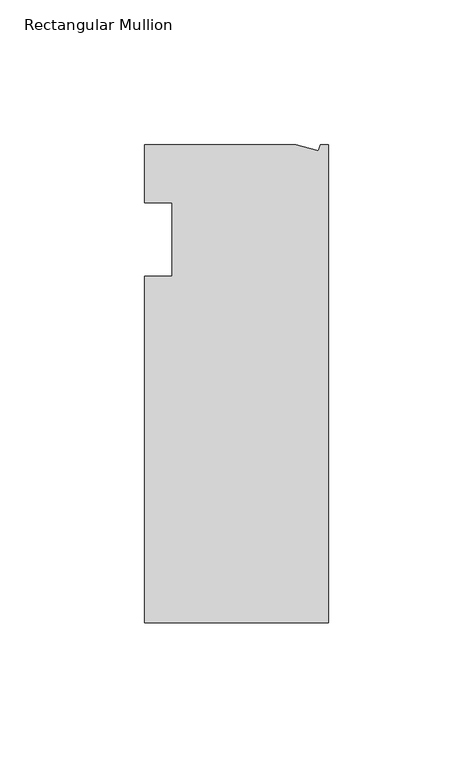
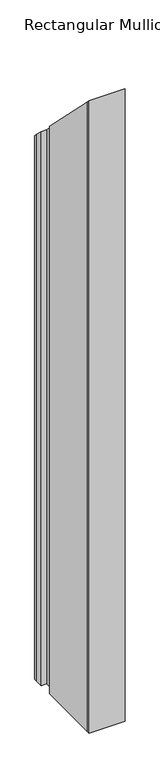
"""IFC4 building model written with IfcOpenShell, lengths in millimetres: member geometry, Rectangular Mullion."""

import ifcopenshell
import ifcopenshell.guid

model = None  # the IFC model being written
_history = None  # IfcOwnerHistory: only IFC2X3 demands one
_inside = {}  # id of a spatial element -> (the spatial element, [elements in it])
_under = {}  # id of a project, library or spatial element -> (it, [spatial elements below it])
_declared = {}  # id of a project -> (the project, [libraries it declares])
_typed = {}  # id of a type object -> (the type object, [elements of that type])
_made_of = {}  # id of a material, layer set ... -> (it, [elements and type objects made of it])


def new_model(schema):
    """Start an empty IFC model of exactly this schema.

    Asked for "IFC4X3", IfcOpenShell would pick the latest addendum, in which some entities
    have other attributes; the version numbers below select the first issue.
    IFC2X3 requires an IfcOwnerHistory on every rooted entity: one is made here for all.
    """
    global model, _history
    if schema == "IFC4X3":
        model = ifcopenshell.file(schema_version=(4, 3, 0, 0))
    else:
        model = ifcopenshell.file(schema=schema)
    _inside.clear()
    _under.clear()
    _declared.clear()
    _typed.clear()
    _made_of.clear()
    _history = None
    if model.schema == "IFC2X3":
        org = make("IfcOrganization", Name="unknown")
        user = make(
            "IfcPersonAndOrganization",
            ThePerson=make("IfcPerson", FamilyName="unknown"),
            TheOrganization=org,
        )
        app = make(
            "IfcApplication",
            ApplicationDeveloper=org,
            Version="unknown",
            ApplicationFullName="unknown",
            ApplicationIdentifier="unknown",
        )
        _history = make(
            "IfcOwnerHistory",
            OwningUser=user,
            OwningApplication=app,
            ChangeAction="ADDED",
            CreationDate=0,
        )
    return model


def make(cls, **values):
    """One entity of the class cls with the attributes given. An attribute that is None is left unset."""
    return model.create_entity(
        cls, **{name: value for name, value in values.items() if value is not None}
    )


def rooted(cls, **values):
    """An entity with a GlobalId (a new one), such as an element, a storey or a relation."""
    return make(cls, GlobalId=ifcopenshell.guid.new(), OwnerHistory=_history, **values)


def si_unit(unit_type, name, prefix=None):
    """IfcSIUnit, for example si_unit("LENGTHUNIT", "METRE", prefix="MILLI")."""
    return make("IfcSIUnit", UnitType=unit_type, Prefix=prefix, Name=name)


def assignment(units):
    """IfcUnitAssignment: the units of a project."""
    return None if units is None else make("IfcUnitAssignment", Units=units)


def point(xyz):
    """IfcCartesianPoint."""
    return None if xyz is None else make("IfcCartesianPoint", Coordinates=xyz)


def direction(xyz):
    """IfcDirection."""
    return None if xyz is None else make("IfcDirection", DirectionRatios=xyz)


def frame(location, z_axis=None, x_axis=None):
    """IfcAxis2Placement3D, a coordinate frame: its origin and axes. An axis left out is left unset."""
    return make(
        "IfcAxis2Placement3D",
        Location=point(location),
        Axis=direction(z_axis),
        RefDirection=direction(x_axis),
    )


def origin():
    """The frame at (0, 0, 0) with its axes left unset."""
    return frame((0.0, 0.0, 0.0))


def place(relative_to, where):
    """IfcLocalPlacement: puts the frame where relative to a parent placement (None: the world)."""
    return make(
        "IfcLocalPlacement", PlacementRelTo=relative_to, RelativePlacement=where
    )


def context(
    kind, dimensions, precision=None, world=None, true_north=None, identifier=None
):
    """IfcGeometricRepresentationContext, for example the 3D "Model" context."""
    return make(
        "IfcGeometricRepresentationContext",
        ContextIdentifier=identifier,
        ContextType=kind,
        CoordinateSpaceDimension=dimensions,
        Precision=precision,
        WorldCoordinateSystem=world,
        TrueNorth=true_north,
    )


def project(units=None, contexts=None):
    """IfcProject with its units and contexts."""
    return rooted(
        "IfcProject",
        Name="project",
        RepresentationContexts=contexts,
        UnitsInContext=assignment(units),
    )


def spatial(cls, under=None, at=None, **own):
    """A site, building, storey or space (cls), placed at a placement, below another one or the project."""
    s = rooted(cls, ObjectPlacement=at, **own)
    if under is not None:
        _under.setdefault(under.id(), (under, []))[1].append(s)
    return s


def faces_of(points, faces, orient=None, outer=None):
    """IfcFace entities. A face is a list of loops; a loop is a list of indices into points, from 0.

    orient and outer hold one flag for each loop. By default every Orientation is true, the
    first loop of a face is its IfcFaceOuterBound and the others are IfcFaceBound.
    """
    made = []
    for i, loops in enumerate(faces):
        bounds = []
        for j, loop in enumerate(loops):
            is_outer = j == 0 if outer is None else outer[i][j]
            bounds.append(
                make(
                    "IfcFaceOuterBound" if is_outer else "IfcFaceBound",
                    Bound=make("IfcPolyLoop", Polygon=[points[k] for k in loop]),
                    Orientation=True if orient is None else orient[i][j],
                )
            )
        made.append(make("IfcFace", Bounds=bounds))
    return made


def faceted_brep(points, faces, orient=None, outer=None, voids=None):
    """IfcFacetedBrep: a solid bounded by flat faces; with voids (closed shells), ...WithVoids."""
    shared = [point(p) for p in points]
    hull = make("IfcClosedShell", CfsFaces=faces_of(shared, faces, orient, outer))
    if voids is None:
        return make("IfcFacetedBrep", Outer=hull)
    return make(
        "IfcFacetedBrepWithVoids",
        Outer=hull,
        Voids=[
            make(cls, CfsFaces=faces_of(shared, fs, o, b)) for cls, fs, o, b in voids
        ],
    )


def shape(context_of_items, identifier, shape_type, items):
    """IfcShapeRepresentation: the items that make up one representation, for example the "Body"."""
    return make(
        "IfcShapeRepresentation",
        ContextOfItems=context_of_items,
        RepresentationIdentifier=identifier,
        RepresentationType=shape_type,
        Items=items,
    )


def source(mapping_origin, context_of_items, identifier, shape_type, items):
    """IfcRepresentationMap: a shape defined once, which mapped items show again and again."""
    return make(
        "IfcRepresentationMap",
        MappingOrigin=mapping_origin,
        MappedRepresentation=shape(context_of_items, identifier, shape_type, items),
    )


def transform(
    local_origin,
    x_axis=None,
    y_axis=None,
    z_axis=None,
    scale=None,
    scale2=None,
    scale3=None,
    uniform=True,
):
    """IfcCartesianTransformationOperator3D, or its non-uniform kind. x_axis, y_axis, z_axis: its Axis1, 2, 3."""
    if uniform:
        return make(
            "IfcCartesianTransformationOperator3D",
            Axis1=direction(x_axis),
            Axis2=direction(y_axis),
            LocalOrigin=point(local_origin),
            Scale=scale,
            Axis3=direction(z_axis),
        )
    return make(
        "IfcCartesianTransformationOperator3DnonUniform",
        Axis1=direction(x_axis),
        Axis2=direction(y_axis),
        LocalOrigin=point(local_origin),
        Scale=scale,
        Axis3=direction(z_axis),
        Scale2=scale2,
        Scale3=scale3,
    )


def mapped(mapping_source, mapping_target):
    """IfcMappedItem: shows the shape of a source again, moved by a transform."""
    return make(
        "IfcMappedItem", MappingSource=mapping_source, MappingTarget=mapping_target
    )


def made_of(thing, what):
    """Note that an element or type object is made of a material, layer set ...; save() writes the relation."""
    if what is not None:
        _made_of.setdefault(what.id(), (what, []))[1].append(thing)
    return thing


def element(
    cls,
    number,
    at=None,
    inside=None,
    cuts=None,
    type_object=None,
    material=None,
    context=None,
    identifier="Body",
    shape_type=None,
    held_by="IfcProductDefinitionShape",
    body=None,
    shapes=None,
    **own,
):
    """One element of the class cls, such as IfcWall. Its Tag is "e" and its number.

    at: its placement. inside: the storey or other place that contains it. cuts: it is an
    opening in that element (IfcRelVoidsElement). A single representation is given by context,
    identifier, shape_type and body (its items); several are given by shapes. held_by: the class
    of the entity that holds the representations. save() writes the other relations.
    """
    e = rooted(cls, Tag="e%d" % number, ObjectPlacement=at, **own)
    if body is not None:
        shapes = [shape(context, identifier, shape_type, body)]
    if shapes is not None:
        e.Representation = make(held_by, Representations=shapes)
    if inside is not None:
        _inside.setdefault(inside.id(), (inside, []))[1].append(e)
    if cuts is not None:
        rooted(
            "IfcRelVoidsElement", RelatingBuildingElement=cuts, RelatedOpeningElement=e
        )
    if type_object is not None:
        _typed.setdefault(type_object.id(), (type_object, []))[1].append(e)
    return made_of(e, material)


def aggregate(whole, parts):
    """IfcRelAggregates: a whole, such as a stair, and the parts it consists of."""
    return rooted("IfcRelAggregates", RelatingObject=whole, RelatedObjects=parts)


def save(model, path):
    """Write the relations noted so far, then the file.

    IfcRelAggregates (storeys below a building ...), IfcRelContainedInSpatialStructure (elements
    in a storey), IfcRelDefinesByType, IfcRelAssociatesMaterial and IfcRelDeclares: one each for
    every whole, place, type object, material and project.
    """
    for whole, parts in _under.values():
        aggregate(whole, parts)
    for where, things in _inside.values():
        rooted(
            "IfcRelContainedInSpatialStructure",
            RelatedElements=things,
            RelatingStructure=where,
        )
    for kind, things in _typed.values():
        rooted("IfcRelDefinesByType", RelatedObjects=things, RelatingType=kind)
    for what, things in _made_of.values():
        rooted("IfcRelAssociatesMaterial", RelatedObjects=things, RelatingMaterial=what)
    for by, libraries in _declared.values():
        rooted("IfcRelDeclares", RelatingContext=by, RelatedDefinitions=libraries)
    model.write(path)


def rectangular_mullion_285559c5(model_context):
    return source(origin(), model_context, "Body", "Brep", [
        faceted_brep([(0.0, -132.5561012, -1041.4), (-63.5, -132.5561012, -1041.4), (-63.5, -126.2061012, -1041.4), (-63.5, -12.8054199, -1041.4), (-53.975, -12.8054199, -1041.4), (-53.975, 12.5945801, -1041.4), (-63.5, 12.5945801, -1041.4), (-63.5, 26.1938988, -1041.4), (-63.5, 32.5438988, -1041.4), (-11.121847, 32.5438988, -1041.4), (-3.3341886, 30.4622958, -1041.4), (-2.7616541, 32.5438988, -1041.4), (0.0, 32.5438988, -1041.4), (0.0, 32.5438988, -32.5438988), (0.0, -132.5561012, 132.5561012), (-2.7616541, 32.5438988, -32.5438988), (-3.3341886, 30.4622958, -30.4622958), (-11.121847, 32.5438988, -32.5438988), (-63.5, 32.5438988, -32.5438988), (-63.5, 12.5945801, -12.5945801), (-63.5, 26.1938988, -26.1938988), (-53.975, 12.5945801, -12.5945801), (-53.975, -12.8054199, 12.8054199), (-63.5, -12.8054199, 12.8054199), (-63.5, -126.2061012, 126.2061012), (-63.5, -132.5561012, 132.5561012)], [[[0, 1, 2, 3, 4, 5, 6, 7, 8, 9, 10, 11, 12]], [[13, 14, 0, 12]], [[15, 13, 12, 11]], [[16, 15, 11, 10]], [[17, 16, 10, 9]], [[18, 17, 9, 8]], [[19, 20, 7, 6]], [[21, 19, 6, 5]], [[22, 21, 5, 4]], [[23, 22, 4, 3]], [[24, 23, 3, 2]], [[14, 25, 1, 0]], [[14, 13, 15, 16, 17, 18, 20, 19, 21, 22, 23, 24, 25]], [[20, 18, 8, 7]], [[25, 24, 2, 1]]]),
    ])


if __name__ == "__main__":
    model = new_model("IFC4")
    model_context = context("Model", 3, world=origin())
    ifc_project = project(units=[si_unit("LENGTHUNIT", "METRE", prefix="MILLI")], contexts=[model_context])
    site = spatial("IfcSite", under=ifc_project)
    building = spatial("IfcBuilding", under=site)
    placement = place(None, origin())
    rectangular_mullion_shape = rectangular_mullion_285559c5(model_context)
    element("IfcMember", 1, ObjectType="Rectangular Mullion", at=placement, inside=building, context=model_context, shape_type="MappedRepresentation", body=[
        mapped(rectangular_mullion_shape, transform((0.0, 0.0, 0.0), x_axis=(1.0, 0.0, 0.0), y_axis=(0.0, 1.0, 0.0), z_axis=(0.0, 0.0, 1.0))),
    ])
    save(model, "model.ifc")
